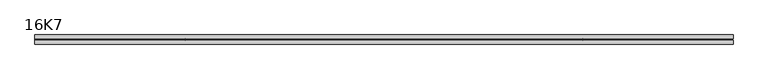
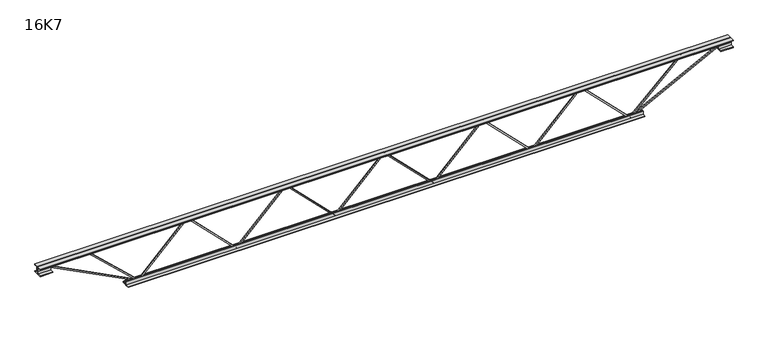
"""IFC4 building model written with IfcOpenShell, lengths in millimetres: beam geometry, 16K7."""

from ifc_helpers import new_model, si_unit, frame, origin, place, context, project, spatial, polyline, outline, extrude, source, transform, mapped, element, save


def beam_16k7_18c1ca11(model_context):
    return source(origin(), model_context, "Body", "SweptSolid", [
        extrude(outline(polyline([(-191.9, 397.6), (-201.4, 397.6), (-201.4, 402.7497889), (191.9, 793.9997889), (191.9, 796.4002111), (-201.4, 1187.6502111), (-201.4, 1192.8), (-191.9, 1192.8), (-191.9, 1191.5997889), (201.4, 800.3497889), (201.4, 790.0502111), (-191.9, 398.8002111), (-191.9, 397.6)])), frame((0.0, -4.75, 0.0), z_axis=(0.0, 1.0, 0.0), x_axis=(0.0, 0.0, 1.0)), (0.0, 0.0, 1.0), 9.5),
        extrude(outline(polyline([(-191.9, -397.6), (-201.4, -397.6), (-201.4, -392.4502111), (191.9, -1.2002111), (191.9, 1.2002111), (-201.4, 392.4502111), (-201.4, 397.6), (-191.9, 397.6), (-191.9, 396.3997889), (201.4, 5.1497889), (201.4, -5.1497889), (-191.9, -396.3997889), (-191.9, -397.6)])), frame((0.0, -4.75, 0.0), z_axis=(0.0, 1.0, 0.0), x_axis=(0.0, 0.0, 1.0)), (0.0, 0.0, 1.0), 9.5),
        extrude(outline(polyline([(-191.9, -1192.8), (-201.4, -1192.8), (-201.4, -1187.6502111), (191.9, -796.4002111), (191.9, -793.9997889), (-201.4, -402.7497889), (-201.4, -397.6), (-191.9, -397.6), (-191.9, -398.8002111), (201.4, -790.0502111), (201.4, -800.3497889), (-191.9, -1191.5997889), (-191.9, -1192.8)])), frame((0.0, -4.75, 0.0), z_axis=(0.0, 1.0, 0.0), x_axis=(0.0, 0.0, 1.0)), (0.0, 0.0, 1.0), 9.5),
        extrude(outline(polyline([(-191.9, 1192.8), (-201.4, 1192.8), (-201.4, 1197.9497889), (191.9, 1589.1997889), (191.9, 1591.6002111), (-201.4, 1982.8502111), (-201.4, 1988.0), (-191.9, 1988.0), (-191.9, 1986.7997889), (201.4, 1595.5497889), (201.4, 1585.2502111), (-191.9, 1194.0002111), (-191.9, 1192.8)])), frame((0.0, -4.75, 0.0), z_axis=(0.0, 1.0, 0.0), x_axis=(0.0, 0.0, 1.0)), (0.0, 0.0, 1.0), 9.5),
        extrude(outline(polyline([(-191.9, -1988.0), (-201.4, -1988.0), (-201.4, -1982.8502111), (191.9, -1591.6002111), (191.9, -1589.1997889), (-201.4, -1197.9497889), (-201.4, -1192.8), (-191.9, -1192.8), (-191.9, -1194.0002111), (201.4, -1585.2502111), (201.4, -1595.5497889), (-191.9, -1986.7997889), (-191.9, -1988.0)])), frame((0.0, -4.75, 0.0), z_axis=(0.0, 1.0, 0.0), x_axis=(0.0, 0.0, 1.0)), (0.0, 0.0, 1.0), 9.5),
        extrude(outline(polyline([(4.75, 203.0), (36.75, 203.0), (36.75, 196.5), (11.25, 196.5), (11.25, 171.0), (4.75, 171.0), (4.75, 203.0)])), frame((-2800.0, 0.0, 0.0), z_axis=(1.0, 0.0, 0.0), x_axis=(0.0, 1.0, 0.0)), (0.0, 0.0, 1.0), 5600.0),
        extrude(outline(polyline([(-4.75, 203.0), (-4.75, 171.0), (-11.25, 171.0), (-11.25, 196.5), (-36.75, 196.5), (-36.75, 203.0), (-4.75, 203.0)])), frame((-2800.0, 0.0, 0.0), z_axis=(1.0, 0.0, 0.0), x_axis=(0.0, 1.0, 0.0)), (0.0, 0.0, 1.0), 5600.0),
        extrude(outline(polyline([(-4.75, 139.5), (-36.75, 139.5), (-36.75, 146.0), (-11.25, 146.0), (-11.25, 171.0), (-4.75, 171.0), (-4.75, 139.5)])), frame((-2800.0, 0.0, 0.0), z_axis=(1.0, 0.0, 0.0), x_axis=(0.0, 1.0, 0.0)), (0.0, 0.0, 1.0), 100.0),
        extrude(outline(polyline([(36.75, 139.5), (4.75, 139.5), (4.75, 171.0), (11.25, 171.0), (11.25, 146.0), (36.75, 146.0), (36.75, 139.5)])), frame((-2800.0, 0.0, 0.0), z_axis=(1.0, 0.0, 0.0), x_axis=(0.0, 1.0, 0.0)), (0.0, 0.0, 1.0), 100.0),
        extrude(outline(polyline([(4.75, 139.5), (4.75, 171.0), (11.25, 171.0), (11.25, 146.0), (36.75, 146.0), (36.75, 139.5), (4.75, 139.5)])), frame((2700.0, 0.0, 0.0), z_axis=(1.0, 0.0, 0.0), x_axis=(0.0, 1.0, 0.0)), (0.0, 0.0, 1.0), 100.0),
        extrude(outline(polyline([(-4.75, 139.5), (-36.75, 139.5), (-36.75, 146.0), (-11.25, 146.0), (-11.25, 171.0), (-4.75, 171.0), (-4.75, 139.5)])), frame((2700.0, 0.0, 0.0), z_axis=(1.0, 0.0, 0.0), x_axis=(0.0, 1.0, 0.0)), (0.0, 0.0, 1.0), 100.0),
        extrude(outline(polyline([(4.75, -203.0), (4.75, -171.0), (11.25, -171.0), (11.25, -196.5), (36.75, -196.5), (36.75, -203.0), (4.75, -203.0)])), frame((-2088.0, 0.0, 0.0), z_axis=(1.0, 0.0, 0.0), x_axis=(0.0, 1.0, 0.0)), (0.0, 0.0, 1.0), 4176.0),
        extrude(outline(polyline([(-4.75, -203.0), (-36.75, -203.0), (-36.75, -196.5), (-11.25, -196.5), (-11.25, -171.0), (-4.75, -171.0), (-4.75, -203.0)])), frame((-2088.0, 0.0, 0.0), z_axis=(1.0, 0.0, 0.0), x_axis=(0.0, 1.0, 0.0)), (0.0, 0.0, 1.0), 4176.0),
        extrude(outline(polyline([(-200.8705467, -1990.1793315), (-192.4294533, -1985.8206685), (175.75, -2698.8460208), (175.75, -2800.0), (166.25, -2800.0), (166.25, -2701.1539792), (-200.8705467, -1990.1793315)])), frame((0.0, -4.75, 0.0), z_axis=(0.0, 1.0, 0.0), x_axis=(0.0, 0.0, 1.0)), (0.0, 0.0, 1.0), 9.5),
        extrude(outline(polyline([(188.7, -2405.5571429), (179.2, -2405.5571429), (179.2, -2394.7392926), (-200.1108352, -1991.2534781), (-193.1891648, -1984.7465219), (188.7, -2390.9749931), (188.7, -2405.5571429)])), frame((0.0, -4.75, 0.0), z_axis=(0.0, 1.0, 0.0), x_axis=(0.0, 0.0, 1.0)), (0.0, 0.0, 1.0), 9.5),
        extrude(outline(polyline([(0.0, -9.5), (0.0, 0.0), (801.3179909, 0.0), (801.3179909, -9.5), (0.0, -9.5)])), frame((2702.1793315, -4.75, 166.7794533), z_axis=(-0.45880662132449596, 0.0, 0.888536146832981), x_axis=(-0.888536146832981, 0.0, -0.45880662132449596)), (0.0, 0.0, 1.0), 9.5),
        extrude(outline(polyline([(0.0, -9.5), (0.0, 0.0), (569.6692676, 0.0), (569.6692676, -9.5), (0.0, -9.5)])), frame((2403.3936885, -4.75, 193.2137204), z_axis=(-0.6904005926662916, 0.0, 0.7234272746074988), x_axis=(-0.7234272746074988, 0.0, -0.6904005926662916)), (0.0, 0.0, 1.0), 9.5),
    ])


if __name__ == "__main__":
    model = new_model("IFC4")
    model_context = context("Model", 3, world=origin())
    ifc_project = project(units=[si_unit("LENGTHUNIT", "METRE", prefix="MILLI")], contexts=[model_context])
    site = spatial("IfcSite", under=ifc_project)
    building = spatial("IfcBuilding", under=site)
    placement = place(None, origin())
    beam_16k7_shape = beam_16k7_18c1ca11(model_context)
    element("IfcBeam", 1, ObjectType="16K7", at=placement, inside=building, context=model_context, shape_type="MappedRepresentation", body=[
        mapped(beam_16k7_shape, transform((0.0, 0.0, 0.0), x_axis=(1.0, 0.0, 0.0), y_axis=(0.0, 1.0, 0.0), z_axis=(0.0, 0.0, 1.0))),
    ])
    save(model, "model.ifc")
